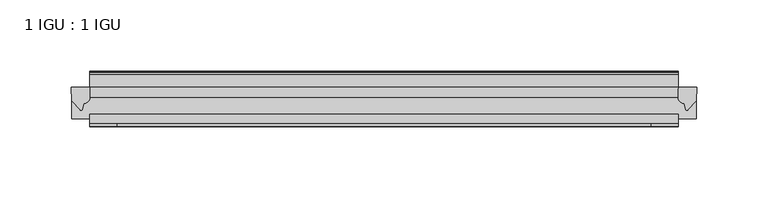
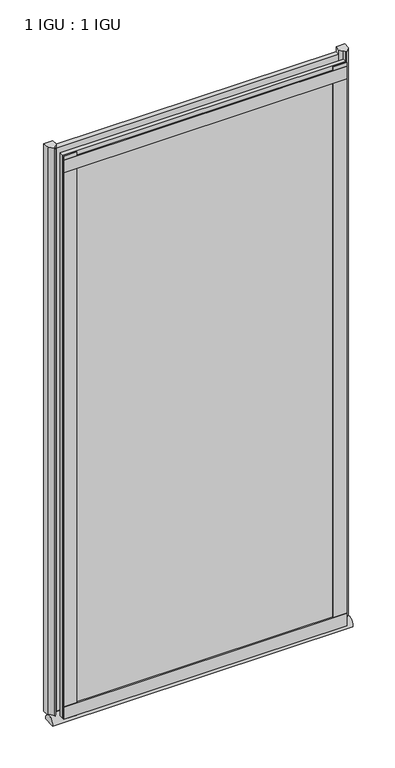
"""IFC4 building model written with IfcOpenShell, lengths in millimetres: plate geometry, 1 IGU : 1 IGU."""

from ifc_helpers import new_model, si_unit, point, frame, frame_2d, origin, place, context, project, spatial, polyline, circle_curve, ellipse_curve, trimmed, segment, composite_curve, outline, extrude, source, transform, mapped, element, save
from ifc_brep_helpers import plane_surface, extruded_surface, advanced_brep


def plate_1_igu_1_igu_089e1437(model_context):
    return source(origin(), model_context, "Body", "SolidModel", [
        extrude(outline(polyline([(307.975, -11.6085937), (307.975, -18.8576359), (-105.7671875, -18.8576359), (-105.7671875, -11.6085937), (307.975, -11.6085937)])), frame((0.0, 0.0, -19.05), z_axis=(0.0, 0.0, 1.0), x_axis=(1.0, 0.0, 0.0)), (0.0, 0.0, 1.0), 869.9409101),
        extrude(outline(polyline([(-105.7671875, -30.7093937), (307.975, -30.7093937), (307.975, -37.0085937), (-105.7671875, -37.0085937), (-105.7671875, -30.7093937)])), frame((0.0, 0.0, -19.05), z_axis=(0.0, 0.0, 1.0), x_axis=(1.0, 0.0, 0.0)), (0.0, 0.0, 1.0), 869.9409101),
        advanced_brep(
        [(320.675, -33.6472189, -28.575), (320.675, -14.9699686, -28.575), (-118.4671875, -33.6472189, -28.575), (-118.4671875, -14.9699686, -28.575)],
        [
            (0, 1),
            (1, 0, ellipse_curve(frame((320.675, -24.3085937, -28.575), z_axis=(1.0, 0.0, 0.0), x_axis=(0.0, 0.0, 1.0)), 10.6973372, 9.3386252)),
            (2, 3, ellipse_curve(frame((-118.4671875, -24.3085937, -28.575), z_axis=(-1.0, 0.0, 0.0), x_axis=(0.0, 0.0, 1.0)), 10.6973372, 9.3386252)),
            (3, 2),
            (0, 2),
            (3, 1),
        ],
        [
            plane_surface(frame((320.675, -9.2273438, -28.575), z_axis=(1.0, 0.0, 0.0), x_axis=(0.0, 1.0, 0.0))),
            plane_surface(frame((-118.4671875, -9.2273437, -28.575), z_axis=(-1.0, 0.0, 0.0), x_axis=(0.0, 1.0, 0.0))),
            plane_surface(frame((320.675, -33.6472189, -28.575), z_axis=(0.0, 0.0, -1.0), x_axis=(-1.0, 0.0, 0.0))),
            extruded_surface(trimmed(ellipse_curve(frame((-118.4671875, -24.3085937, -28.575), z_axis=(1.0, 0.0, 0.0), x_axis=(0.0, 0.0, 1.0)), 10.6973372, 9.3386252), [point((-118.4671875, -14.9699686, -28.575))], [point((-118.4671875, -33.6472189, -28.575))], True, "CARTESIAN"), (439.1421875, 0.0, 0.0), 439.1421875),
        ],
        [
            (0, [[1, 2]]),
            (1, [[3, 4]]),
            (2, [[-1, 5, -4, 6]]),
            (3, [[-2, -6, -3, -5]]),
        ],
    ),
        extrude(outline(composite_curve([segment(polyline([(321.0529091, -11.6101465), (320.675, -21.3502133), (314.7369467, -27.6095865)]), True, "CONTINUOUS"), segment(trimmed(circle_curve(frame_2d((314.0641407, -27.2518492)), 0.762), [point((314.7369467, -27.6095865))], [point((313.3354364, -27.4746364))], False, "CARTESIAN"), True, "CONTINUOUS"), segment(polyline([(313.3354364, -27.4746364), (312.0736019, -23.3488397)]), True, "CONTINUOUS"), segment(trimmed(circle_curve(frame_2d((314.255559, -16.3834724)), 7.2991286), [point((312.0736019, -23.3488397))], [point((307.9751786, -20.1028944))], False, "CARTESIAN"), True, "CONTINUOUS"), segment(polyline([(307.9751786, -20.1028944), (307.9751786, -12.664425)]), True, "CONTINUOUS"), segment(trimmed(circle_curve(frame_2d((314.2564331, -16.3827796)), 7.2993369), [point((307.9751786, -12.664425))], [point((308.733545, -11.6101465))], False, "CARTESIAN"), True, "CONTINUOUS"), segment(polyline([(308.733545, -11.6101465), (321.0529091, -11.6101465)]), True, "CONTINUOUS")], self_intersect=False)), frame((0.0, 0.0, -19.05), z_axis=(0.0, 0.0, 1.0), x_axis=(1.0, 0.0, 0.0)), (0.0, 0.0, 1.0), 877.0783101),
        extrude(outline(composite_curve([segment(polyline([(-105.7671875, -11.610702), (-105.7671875, -20.1014769)]), True, "CONTINUOUS"), segment(trimmed(circle_curve(frame_2d((-112.0483818, -16.3829847)), 7.2993552), [point((-105.7671875, -20.1014769))], [point((-109.8661373, -23.3484994))], False, "CARTESIAN"), True, "CONTINUOUS"), segment(polyline([(-109.8661373, -23.3484994), (-111.1276239, -27.4746364)]), True, "CONTINUOUS"), segment(trimmed(circle_curve(frame_2d((-111.8563282, -27.2518492)), 0.762), [point((-111.1276239, -27.4746364))], [point((-112.5291342, -27.6095865))], False, "CARTESIAN"), True, "CONTINUOUS"), segment(polyline([(-112.5291342, -27.6095865), (-118.4671875, -21.3502133), (-118.8450966, -11.610702), (-105.7671875, -11.610702)]), True, "CONTINUOUS")], self_intersect=False)), frame((0.0, 0.0, -19.05), z_axis=(0.0, 0.0, 1.0), x_axis=(1.0, 0.0, 0.0)), (0.0, 0.0, 1.0), 877.0783101),
        extrude(outline(polyline([(-105.7671875, -39.2945937), (-105.7671875, -37.0085937), (307.975, -37.0085937), (307.975, -39.2945937), (-105.7671875, -39.2945937)])), frame((0.0, 0.0, -19.05), z_axis=(0.0, 0.0, 1.0), x_axis=(1.0, 0.0, 0.0)), (0.0, 0.0, 1.0), 19.05),
        extrude(outline(composite_curve([segment(polyline([(-3.0995937, 840.8103314), (-3.0995937, 838.7783314), (-5.2585937, 838.7783314), (-5.2585937, 833.4443314), (-1.5755937, 833.4443314), (-1.5755937, 830.3963314), (-5.2585937, 830.3963314), (-5.2585937, 825.5703314), (-0.5298657, 826.2349108), (-0.4061408, 825.3545625)]), True, "CONTINUOUS"), segment(trimmed(circle_curve(frame_2d((-1.4122531, 825.2131626)), 1.016), [point((-0.4061408, 825.3545625))], [point((-1.2708533, 824.2070502))], False, "CARTESIAN"), True, "CONTINUOUS"), segment(polyline([(-1.2708533, 824.2070502), (-11.6085937, 822.7541756), (-11.6085937, 840.8103314), (-3.0995937, 840.8103314)]), True, "CONTINUOUS")], self_intersect=False)), frame((-105.7671875, 0.0, 0.0), z_axis=(1.0, 0.0, 0.0), x_axis=(0.0, 1.0, 0.0)), (0.0, 0.0, 1.0), 413.7421875),
        extrude(outline(polyline([(-105.7671875, -39.2945937), (-105.7671875, -37.0085937), (307.975, -37.0085937), (307.975, -39.2945937), (-105.7671875, -39.2945937)])), frame((0.0, 0.0, 825.4909101), z_axis=(0.0, 0.0, 1.0), x_axis=(1.0, 0.0, 0.0)), (0.0, 0.0, 1.0), 19.05),
        extrude(outline(polyline([(288.925, -37.0085937), (307.975, -37.0085937), (307.975, -39.2945938), (288.925, -39.2945938), (288.925, -37.0085937)])), frame((0.0, 0.0, -19.05), z_axis=(0.0, 0.0, 1.0), x_axis=(1.0, 0.0, 0.0)), (0.0, 0.0, 1.0), 869.9409101),
        extrude(outline(polyline([(-105.7671875, -39.2945937), (-105.7671875, -37.0085938), (-86.7171875, -37.0085938), (-86.7171875, -39.2945937), (-105.7671875, -39.2945937)])), frame((0.0, 0.0, -19.05), z_axis=(0.0, 0.0, 1.0), x_axis=(1.0, 0.0, 0.0)), (0.0, 0.0, 1.0), 869.9409101),
    ])


if __name__ == "__main__":
    model = new_model("IFC4")
    model_context = context("Model", 3, world=origin())
    ifc_project = project(units=[si_unit("LENGTHUNIT", "METRE", prefix="MILLI")], contexts=[model_context])
    site = spatial("IfcSite", under=ifc_project)
    building = spatial("IfcBuilding", under=site)
    placement = place(None, origin())
    plate_1_igu_1_igu_shape = plate_1_igu_1_igu_089e1437(model_context)
    element("IfcPlate", 1, ObjectType="1 IGU : 1 IGU", at=placement, inside=building, context=model_context, shape_type="MappedRepresentation", body=[
        mapped(plate_1_igu_1_igu_shape, transform((0.0, 0.0, 0.0), x_axis=(1.0, 0.0, 0.0), y_axis=(0.0, 1.0, 0.0), z_axis=(0.0, 0.0, 1.0))),
    ])
    save(model, "model.ifc")
